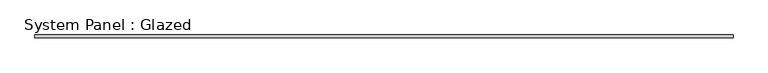
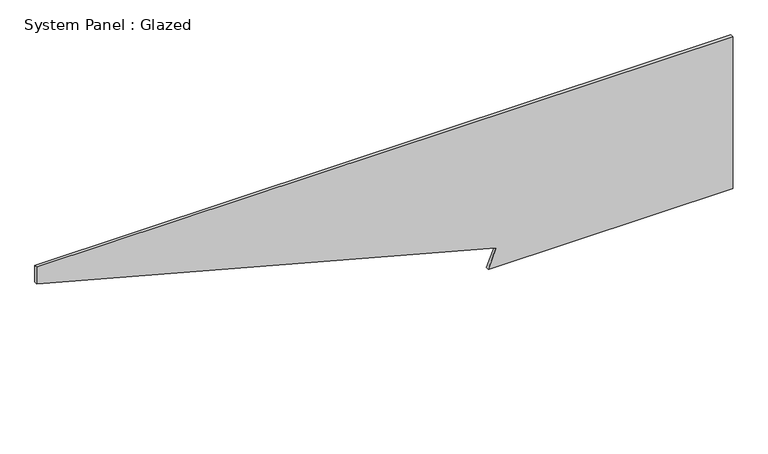
"""IFC4 building model written with IfcOpenShell, lengths in millimetres: plate geometry, System Panel : Glazed."""

from ifc_helpers import new_model, si_unit, frame, origin, place, context, project, spatial, polyline, outline, extrude, source, transform, mapped, element, save


def system_panel_glazed_be7f651f(model_context):
    return source(origin(), model_context, "Body", "SweptSolid", [
        extrude(outline(polyline([(0.0, 870.669601), (0.0, 2925.0), (1350.0, 2925.0), (1350.0, -2925.0), (1200.8656494, -2925.0), (166.4814566, 935.3743623), (0.0, 870.669601)])), frame((0.0, -2.5, 0.0), z_axis=(0.0, 1.0, 0.0), x_axis=(0.0, 0.0, 1.0)), (0.0, 0.0, 1.0), 25.0),
    ])


if __name__ == "__main__":
    model = new_model("IFC4")
    model_context = context("Model", 3, world=origin())
    ifc_project = project(units=[si_unit("LENGTHUNIT", "METRE", prefix="MILLI")], contexts=[model_context])
    site = spatial("IfcSite", under=ifc_project)
    building = spatial("IfcBuilding", under=site)
    placement = place(None, origin())
    system_panel_glazed_shape = system_panel_glazed_be7f651f(model_context)
    element("IfcPlate", 1, ObjectType="System Panel : Glazed", at=placement, inside=building, context=model_context, shape_type="MappedRepresentation", body=[
        mapped(system_panel_glazed_shape, transform((0.0, 0.0, 0.0), x_axis=(1.0, 0.0, 0.0), y_axis=(0.0, 1.0, 0.0), z_axis=(0.0, 0.0, 1.0))),
    ])
    save(model, "model.ifc")
